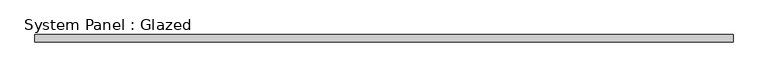
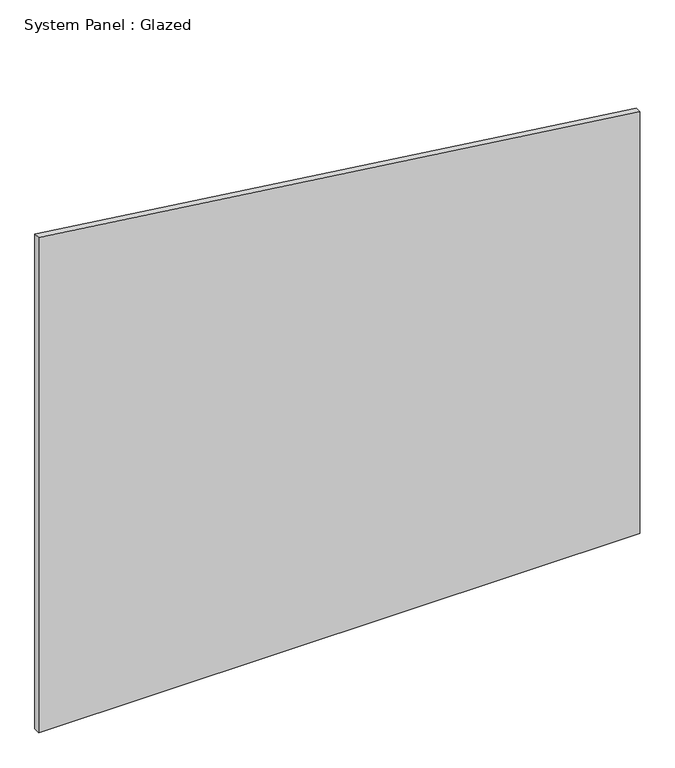
"""IFC4 building model written with IfcOpenShell, lengths in millimetres: plate geometry, System Panel : Glazed."""

from ifc_helpers import new_model, si_unit, frame, origin, place, context, project, spatial, polyline, outline, extrude, source, transform, mapped, element, save


def system_panel_glazed_77519cac(model_context):
    return source(origin(), model_context, "Body", "SweptSolid", [
        extrude(outline(polyline([(0.0, -1171.7121958), (0.0, 1171.7121958), (1739.5403103, 1171.7121958), (2040.7016222, -1171.7121958), (0.0, -1171.7121958)])), frame((0.0, 24.5, 0.0), z_axis=(0.0, 1.0, 0.0), x_axis=(0.0, 0.0, 1.0)), (0.0, 0.0, 1.0), 25.0),
    ])


if __name__ == "__main__":
    model = new_model("IFC4")
    model_context = context("Model", 3, world=origin())
    ifc_project = project(units=[si_unit("LENGTHUNIT", "METRE", prefix="MILLI")], contexts=[model_context])
    site = spatial("IfcSite", under=ifc_project)
    building = spatial("IfcBuilding", under=site)
    placement = place(None, origin())
    system_panel_glazed_shape = system_panel_glazed_77519cac(model_context)
    element("IfcPlate", 1, ObjectType="System Panel : Glazed", at=placement, inside=building, context=model_context, shape_type="MappedRepresentation", body=[
        mapped(system_panel_glazed_shape, transform((0.0, 0.0, 0.0), x_axis=(1.0, 0.0, 0.0), y_axis=(0.0, 1.0, 0.0), z_axis=(0.0, 0.0, 1.0))),
    ])
    save(model, "model.ifc")
